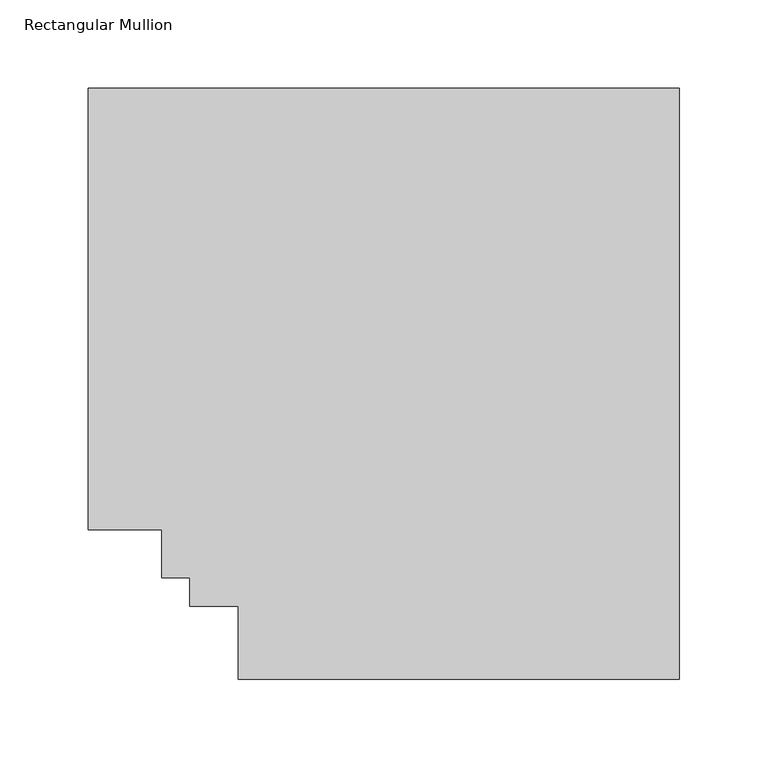
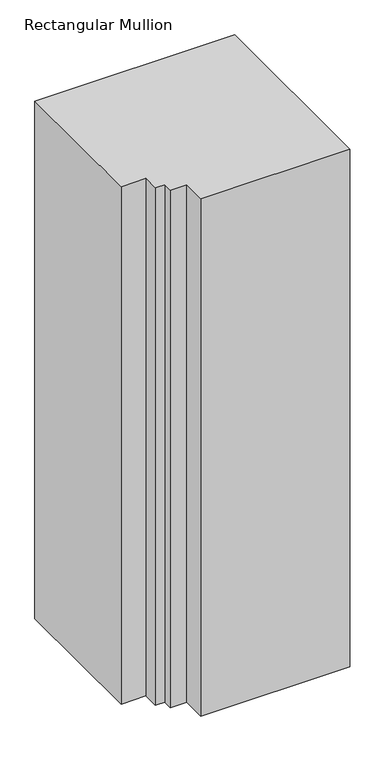
"""IFC4 building model written with IfcOpenShell, lengths in millimetres: member geometry, Rectangular Mullion."""

from ifc_helpers import new_model, si_unit, frame, origin, place, context, project, spatial, polyline, outline, extrude, source, transform, mapped, element, save


def rectangular_mullion_67ab01b7(model_context):
    return source(origin(), model_context, "Body", "SweptSolid", [
        extrude(outline(polyline([(0.0, 295.9695313), (0.0, -37.7805771), (-249.2248011, -37.7805771), (-249.2248011, 3.4944228), (-276.4028011, 3.4944228), (-276.4028011, 19.5667302), (-292.4751084, 19.5667302), (-292.4751084, 46.7447302), (-333.7501084, 46.7447302), (-333.7501084, 295.9695313), (0.0, 295.9695313)])), frame((0.0, 0.0, -914.4), z_axis=(0.0, 0.0, 1.0), x_axis=(1.0, 0.0, 0.0)), (0.0, 0.0, 1.0), 914.4),
    ])


if __name__ == "__main__":
    model = new_model("IFC4")
    model_context = context("Model", 3, world=origin())
    ifc_project = project(units=[si_unit("LENGTHUNIT", "METRE", prefix="MILLI")], contexts=[model_context])
    site = spatial("IfcSite", under=ifc_project)
    building = spatial("IfcBuilding", under=site)
    placement = place(None, origin())
    rectangular_mullion_shape = rectangular_mullion_67ab01b7(model_context)
    element("IfcMember", 1, ObjectType="Rectangular Mullion", at=placement, inside=building, context=model_context, shape_type="MappedRepresentation", body=[
        mapped(rectangular_mullion_shape, transform((0.0, 0.0, 0.0), x_axis=(1.0, 0.0, 0.0), y_axis=(0.0, 1.0, 0.0), z_axis=(0.0, 0.0, 1.0))),
    ])
    save(model, "model.ifc")
